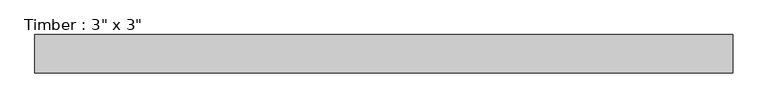
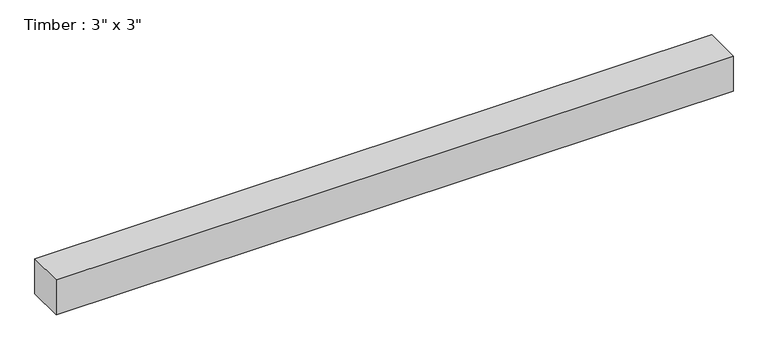
"""IFC4 building model written with IfcOpenShell, lengths in millimetres: beam geometry."""

import ifcopenshell
import ifcopenshell.guid

model = None  # the IFC model being written
_history = None  # IfcOwnerHistory: only IFC2X3 demands one
_inside = {}  # id of a spatial element -> (the spatial element, [elements in it])
_under = {}  # id of a project, library or spatial element -> (it, [spatial elements below it])
_declared = {}  # id of a project -> (the project, [libraries it declares])
_typed = {}  # id of a type object -> (the type object, [elements of that type])
_made_of = {}  # id of a material, layer set ... -> (it, [elements and type objects made of it])


def new_model(schema):
    """Start an empty IFC model of exactly this schema.

    Asked for "IFC4X3", IfcOpenShell would pick the latest addendum, in which some entities
    have other attributes; the version numbers below select the first issue.
    IFC2X3 requires an IfcOwnerHistory on every rooted entity: one is made here for all.
    """
    global model, _history
    if schema == "IFC4X3":
        model = ifcopenshell.file(schema_version=(4, 3, 0, 0))
    else:
        model = ifcopenshell.file(schema=schema)
    _inside.clear()
    _under.clear()
    _declared.clear()
    _typed.clear()
    _made_of.clear()
    _history = None
    if model.schema == "IFC2X3":
        org = make("IfcOrganization", Name="unknown")
        user = make(
            "IfcPersonAndOrganization",
            ThePerson=make("IfcPerson", FamilyName="unknown"),
            TheOrganization=org,
        )
        app = make(
            "IfcApplication",
            ApplicationDeveloper=org,
            Version="unknown",
            ApplicationFullName="unknown",
            ApplicationIdentifier="unknown",
        )
        _history = make(
            "IfcOwnerHistory",
            OwningUser=user,
            OwningApplication=app,
            ChangeAction="ADDED",
            CreationDate=0,
        )
    return model


def make(cls, **values):
    """One entity of the class cls with the attributes given. An attribute that is None is left unset."""
    return model.create_entity(
        cls, **{name: value for name, value in values.items() if value is not None}
    )


def rooted(cls, **values):
    """An entity with a GlobalId (a new one), such as an element, a storey or a relation."""
    return make(cls, GlobalId=ifcopenshell.guid.new(), OwnerHistory=_history, **values)


def si_unit(unit_type, name, prefix=None):
    """IfcSIUnit, for example si_unit("LENGTHUNIT", "METRE", prefix="MILLI")."""
    return make("IfcSIUnit", UnitType=unit_type, Prefix=prefix, Name=name)


def assignment(units):
    """IfcUnitAssignment: the units of a project."""
    return None if units is None else make("IfcUnitAssignment", Units=units)


def point(xyz):
    """IfcCartesianPoint."""
    return None if xyz is None else make("IfcCartesianPoint", Coordinates=xyz)


def direction(xyz):
    """IfcDirection."""
    return None if xyz is None else make("IfcDirection", DirectionRatios=xyz)


def frame(location, z_axis=None, x_axis=None):
    """IfcAxis2Placement3D, a coordinate frame: its origin and axes. An axis left out is left unset."""
    return make(
        "IfcAxis2Placement3D",
        Location=point(location),
        Axis=direction(z_axis),
        RefDirection=direction(x_axis),
    )


def origin():
    """The frame at (0, 0, 0) with its axes left unset."""
    return frame((0.0, 0.0, 0.0))


def place(relative_to, where):
    """IfcLocalPlacement: puts the frame where relative to a parent placement (None: the world)."""
    return make(
        "IfcLocalPlacement", PlacementRelTo=relative_to, RelativePlacement=where
    )


def context(
    kind, dimensions, precision=None, world=None, true_north=None, identifier=None
):
    """IfcGeometricRepresentationContext, for example the 3D "Model" context."""
    return make(
        "IfcGeometricRepresentationContext",
        ContextIdentifier=identifier,
        ContextType=kind,
        CoordinateSpaceDimension=dimensions,
        Precision=precision,
        WorldCoordinateSystem=world,
        TrueNorth=true_north,
    )


def project(units=None, contexts=None):
    """IfcProject with its units and contexts."""
    return rooted(
        "IfcProject",
        Name="project",
        RepresentationContexts=contexts,
        UnitsInContext=assignment(units),
    )


def spatial(cls, under=None, at=None, **own):
    """A site, building, storey or space (cls), placed at a placement, below another one or the project."""
    s = rooted(cls, ObjectPlacement=at, **own)
    if under is not None:
        _under.setdefault(under.id(), (under, []))[1].append(s)
    return s


def polyline(points):
    """IfcPolyline through the points."""
    return make("IfcPolyline", Points=[point(p) for p in points])


def outline(outer, holes=None, kind="AREA"):
    """IfcArbitraryClosedProfileDef: a profile drawn as a closed curve; with holes, ...WithVoids."""
    if holes is None:
        return make("IfcArbitraryClosedProfileDef", ProfileType=kind, OuterCurve=outer)
    return make(
        "IfcArbitraryProfileDefWithVoids",
        ProfileType=kind,
        OuterCurve=outer,
        InnerCurves=holes,
    )


def extrude(swept, where, along, depth):
    """IfcExtrudedAreaSolid: the profile swept, set in the frame where, extruded along a direction by depth."""
    return make(
        "IfcExtrudedAreaSolid",
        SweptArea=swept,
        Position=where,
        ExtrudedDirection=direction(along),
        Depth=depth,
    )


def shape(context_of_items, identifier, shape_type, items):
    """IfcShapeRepresentation: the items that make up one representation, for example the "Body"."""
    return make(
        "IfcShapeRepresentation",
        ContextOfItems=context_of_items,
        RepresentationIdentifier=identifier,
        RepresentationType=shape_type,
        Items=items,
    )


def source(mapping_origin, context_of_items, identifier, shape_type, items):
    """IfcRepresentationMap: a shape defined once, which mapped items show again and again."""
    return make(
        "IfcRepresentationMap",
        MappingOrigin=mapping_origin,
        MappedRepresentation=shape(context_of_items, identifier, shape_type, items),
    )


def transform(
    local_origin,
    x_axis=None,
    y_axis=None,
    z_axis=None,
    scale=None,
    scale2=None,
    scale3=None,
    uniform=True,
):
    """IfcCartesianTransformationOperator3D, or its non-uniform kind. x_axis, y_axis, z_axis: its Axis1, 2, 3."""
    if uniform:
        return make(
            "IfcCartesianTransformationOperator3D",
            Axis1=direction(x_axis),
            Axis2=direction(y_axis),
            LocalOrigin=point(local_origin),
            Scale=scale,
            Axis3=direction(z_axis),
        )
    return make(
        "IfcCartesianTransformationOperator3DnonUniform",
        Axis1=direction(x_axis),
        Axis2=direction(y_axis),
        LocalOrigin=point(local_origin),
        Scale=scale,
        Axis3=direction(z_axis),
        Scale2=scale2,
        Scale3=scale3,
    )


def mapped(mapping_source, mapping_target):
    """IfcMappedItem: shows the shape of a source again, moved by a transform."""
    return make(
        "IfcMappedItem", MappingSource=mapping_source, MappingTarget=mapping_target
    )


def made_of(thing, what):
    """Note that an element or type object is made of a material, layer set ...; save() writes the relation."""
    if what is not None:
        _made_of.setdefault(what.id(), (what, []))[1].append(thing)
    return thing


def element(
    cls,
    number,
    at=None,
    inside=None,
    cuts=None,
    type_object=None,
    material=None,
    context=None,
    identifier="Body",
    shape_type=None,
    held_by="IfcProductDefinitionShape",
    body=None,
    shapes=None,
    **own,
):
    """One element of the class cls, such as IfcWall. Its Tag is "e" and its number.

    at: its placement. inside: the storey or other place that contains it. cuts: it is an
    opening in that element (IfcRelVoidsElement). A single representation is given by context,
    identifier, shape_type and body (its items); several are given by shapes. held_by: the class
    of the entity that holds the representations. save() writes the other relations.
    """
    e = rooted(cls, Tag="e%d" % number, ObjectPlacement=at, **own)
    if body is not None:
        shapes = [shape(context, identifier, shape_type, body)]
    if shapes is not None:
        e.Representation = make(held_by, Representations=shapes)
    if inside is not None:
        _inside.setdefault(inside.id(), (inside, []))[1].append(e)
    if cuts is not None:
        rooted(
            "IfcRelVoidsElement", RelatingBuildingElement=cuts, RelatedOpeningElement=e
        )
    if type_object is not None:
        _typed.setdefault(type_object.id(), (type_object, []))[1].append(e)
    return made_of(e, material)


def aggregate(whole, parts):
    """IfcRelAggregates: a whole, such as a stair, and the parts it consists of."""
    return rooted("IfcRelAggregates", RelatingObject=whole, RelatedObjects=parts)


def save(model, path):
    """Write the relations noted so far, then the file.

    IfcRelAggregates (storeys below a building ...), IfcRelContainedInSpatialStructure (elements
    in a storey), IfcRelDefinesByType, IfcRelAssociatesMaterial and IfcRelDeclares: one each for
    every whole, place, type object, material and project.
    """
    for whole, parts in _under.values():
        aggregate(whole, parts)
    for where, things in _inside.values():
        rooted(
            "IfcRelContainedInSpatialStructure",
            RelatedElements=things,
            RelatingStructure=where,
        )
    for kind, things in _typed.values():
        rooted("IfcRelDefinesByType", RelatedObjects=things, RelatingType=kind)
    for what, things in _made_of.values():
        rooted("IfcRelAssociatesMaterial", RelatedObjects=things, RelatingMaterial=what)
    for by, libraries in _declared.values():
        rooted("IfcRelDeclares", RelatingContext=by, RelatedDefinitions=libraries)
    model.write(path)


def beam_f9ab5098(model_context):
    return source(origin(), model_context, "Body", "SweptSolid", [
        extrude(outline(polyline([(695.325, 38.1), (695.325, -38.1), (-695.325, -38.1), (-695.325, 38.1), (695.325, 38.1)])), frame((0.0, 0.0, -38.1), z_axis=(0.0, 0.0, 1.0), x_axis=(1.0, 0.0, 0.0)), (0.0, 0.0, 1.0), 76.2),
    ])


if __name__ == "__main__":
    model = new_model("IFC4")
    model_context = context("Model", 3, world=origin())
    ifc_project = project(units=[si_unit("LENGTHUNIT", "METRE", prefix="MILLI")], contexts=[model_context])
    site = spatial("IfcSite", under=ifc_project)
    building = spatial("IfcBuilding", under=site)
    placement = place(None, origin())
    beam_shape = beam_f9ab5098(model_context)
    element("IfcBeam", 1, ObjectType="Timber : 3\" x 3\"", at=placement, inside=building, context=model_context, shape_type="MappedRepresentation", body=[
        mapped(beam_shape, transform((0.0, 0.0, 0.0), x_axis=(1.0, 0.0, 0.0), y_axis=(0.0, 1.0, 0.0), z_axis=(0.0, 0.0, 1.0))),
    ])
    save(model, "model.ifc")
